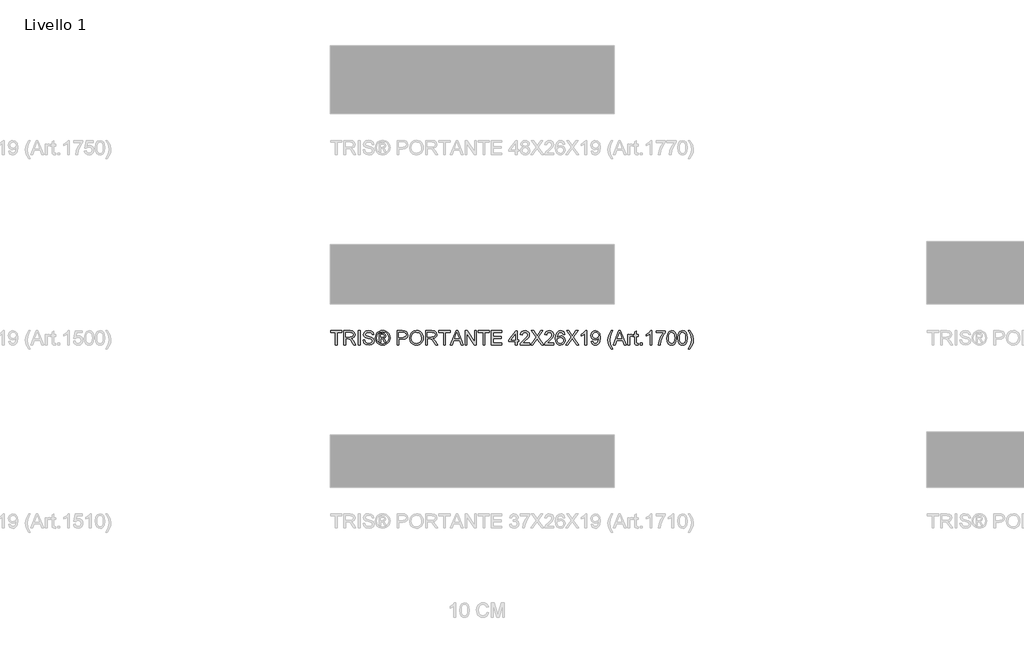
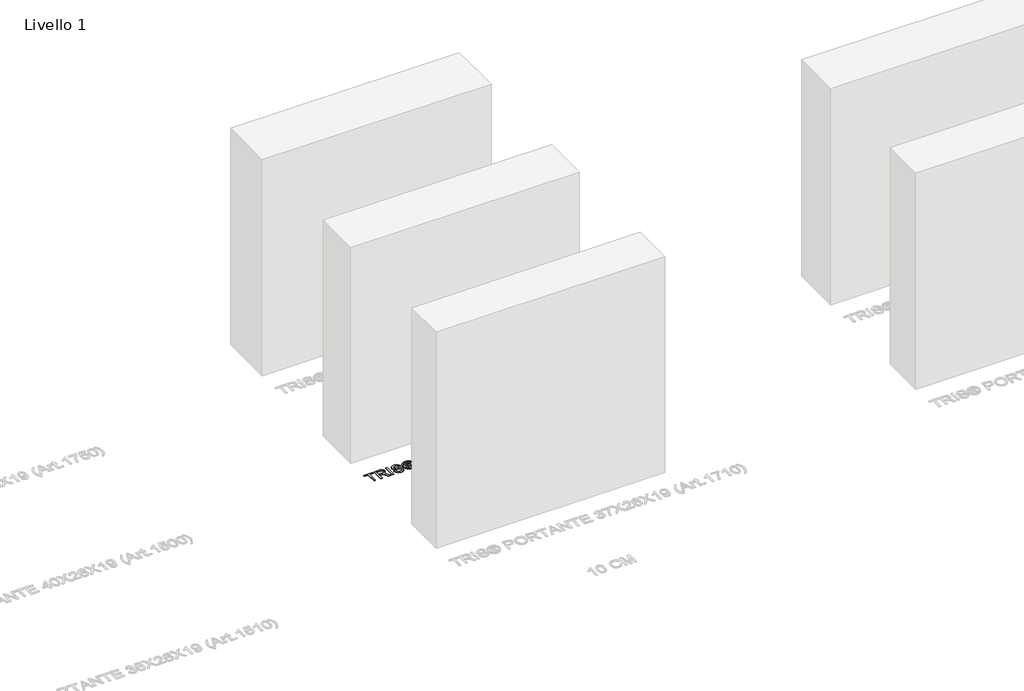
# One storey, part 15 of 19: 1 proxy.
"""IFC4 building model written with IfcOpenShell, lengths in millimetres."""

from ifc_helpers import new_model, si_unit, origin, origin_with_axes, place, context, project, spatial, polyline, outline, extrude, element, save

model = new_model("IFC4")

# Units and contexts
model_context = context("Model", 3, world=origin())
ifc_project = project(units=[si_unit("LENGTHUNIT", "METRE", prefix="MILLI")], contexts=[model_context])

# Site, building, storey
site = spatial("IfcSite", under=ifc_project)
building = spatial("IfcBuilding", under=site)
storey = spatial("IfcBuildingStorey", under=building, Name="Livello 1", Elevation=0.0)

# Proxy
placement = place(None, origin())
element("IfcBuildingElementProxy", 1, Name="100", ObjectType="100", at=placement, inside=storey, context=model_context, shape_type="SweptSolid", body=[
    extrude(outline(polyline([(-1100.6104208, 1233.8942151), (-1100.6104208, 1321.7934865), (-1133.5726476, 1321.7934865), (-1133.5726476, 1334.3505252), (-1055.0911553, 1334.3505252), (-1055.0911553, 1321.7934865), (-1088.053382, 1321.7934865), (-1088.053382, 1233.8942151), (-1100.6104208, 1233.8942151)])), origin_with_axes(), (0.0, 0.0, 1.0), 5.0),
    extrude(outline(polyline([(-1040.9644866, 1233.8942151), (-1040.9644866, 1334.3505252), (-997.6770385, 1334.3505252), (-977.5784189, 1331.6404612), (-966.59101, 1322.0510039), (-962.4829943, 1306.8574775), (-964.1844486, 1296.9614518), (-969.2888112, 1288.7576833), (-977.9493666, 1282.7428127), (-990.3193986, 1279.4134806), (-983.1824879, 1274.0424035), (-973.0044194, 1261.1174827), (-956.2535259, 1233.8942151), (-970.8461784, 1233.8942151), (-983.9182519, 1254.716336), (-993.3605565, 1268.4996481), (-999.9946951, 1275.0111594), (-1005.9666462, 1277.4023924), (-1013.2507097, 1277.8438508), (-1028.4074479, 1277.8438508), (-1028.4074479, 1233.8942151), (-1040.9644866, 1233.8942151)]), holes=[polyline([(-1028.4074479, 1290.4008895), (-1000.3012634, 1290.4008895), (-985.9661284, 1292.1789858), (-977.8236735, 1297.868894), (-975.0400331, 1306.3914936), (-980.3497966, 1317.4524789), (-997.1374783, 1321.7934865), (-1028.4074479, 1321.7934865), (-1028.4074479, 1290.4008895)])]), origin_with_axes(), (0.0, 0.0, 1.0), 5.0),
    extrude(outline(polyline([(-938.9385466, 1233.8942151), (-938.9385466, 1334.3505252), (-926.3815079, 1334.3505252), (-926.3815079, 1233.8942151), (-938.9385466, 1233.8942151)])), origin_with_axes(), (0.0, 0.0, 1.0), 5.0),
    extrude(outline(polyline([(-905.9763199, 1268.4260717), (-893.4192811, 1268.4260717), (-889.3725792, 1255.8567702), (-879.4888162, 1247.9105191), (-864.4301799, 1244.881624), (-851.3090554, 1247.1747551), (-842.8355068, 1253.4778), (-840.0518663, 1261.9022976), (-842.136531, 1269.7381841), (-850.6713933, 1275.4403551), (-868.9551284, 1280.2350837), (-888.6368152, 1286.427764), (-899.3176558, 1295.7719667), (-902.8370602, 1308.255429), (-898.4837899, 1322.4679368), (-885.7673356, 1332.4988525), (-867.1525067, 1335.9201551), (-847.2868789, 1332.339437), (-834.0431271, 1321.8180119), (-829.0644574, 1306.097188), (-841.6214962, 1306.097188), (-843.92689, 1313.589718), (-848.7338814, 1318.9975833), (-866.6619973, 1323.3631163), (-884.6391642, 1319.0466342), (-890.2800214, 1308.623311), (-886.2823704, 1299.9167705), (-865.7790805, 1292.9024871), (-843.559008, 1286.5994422), (-831.4066395, 1276.4213737), (-827.4948276, 1262.2211287), (-831.9952506, 1247.1992806), (-844.9446969, 1236.2363971), (-863.9396706, 1232.3245852), (-886.3682095, 1236.5429654), (-900.5561918, 1249.247157), (-905.9763199, 1268.4260717)])), origin_with_axes(), (0.0, 0.0, 1.0), 5.0),
    extrude(outline(polyline([(-791.3933411, 1252.7297732), (-791.3933411, 1315.5149671), (-771.1107804, 1315.5149671), (-756.0521441, 1313.7859217), (-748.6331905, 1307.752657), (-745.8740756, 1298.5923953), (-750.632016, 1286.6730186), (-763.2381058, 1280.9831105), (-758.3330125, 1277.647647), (-749.7736247, 1265.1151337), (-742.7348159, 1252.7297732), (-753.3298173, 1252.7297732), (-758.8480473, 1262.6871126), (-768.0941481, 1277.1080868), (-776.1139756, 1279.4134806), (-781.975562, 1279.4134806), (-781.975562, 1252.7297732), (-791.3933411, 1252.7297732)]), holes=[polyline([(-781.975562, 1288.8312597), (-770.0561854, 1288.8312597), (-758.4065889, 1291.2224927), (-755.2918547, 1297.5623257), (-756.7879081, 1302.1240624), (-760.9449746, 1305.1161693), (-770.8164749, 1306.097188), (-781.975562, 1306.097188), (-781.975562, 1288.8312597)])]), origin_with_axes(), (0.0, 0.0, 1.0), 5.0),
    extrude(outline(polyline([(-767.824368, 1335.9201551), (-754.930104, 1334.246292), (-742.3424084, 1329.2247028), (-731.2844888, 1321.0883793), (-722.9795527, 1310.0703135), (-717.7832196, 1297.3477279), (-716.0511085, 1284.0978447), (-717.7586941, 1270.9644575), (-722.8814509, 1258.346105), (-731.0852194, 1247.3678931), (-742.0358401, 1239.1549276), (-754.6449955, 1234.0321708), (-767.824368, 1232.3245852), (-780.9853463, 1234.0321708), (-793.5883704, 1239.1549276), (-804.5481881, 1247.3678931), (-812.7795478, 1258.346105), (-817.9298957, 1270.9644575), (-819.6466783, 1284.0978447), (-817.9053702, 1297.3477279), (-812.6814459, 1310.0703135), (-804.3489187, 1321.0883793), (-793.281802, 1329.2247028), (-780.7002378, 1334.246292), (-767.824368, 1335.9201551)]), holes=[polyline([(-767.824368, 1326.502376), (-788.6464889, 1321.0209343), (-797.6749262, 1314.3592045), (-804.5022029, 1305.3368985), (-810.2288993, 1284.0978447), (-804.6125675, 1263.0427318), (-788.8917435, 1247.3586961), (-767.824368, 1241.7423643), (-746.7447296, 1247.3586961), (-731.0606939, 1263.0427318), (-725.4688876, 1284.0978447), (-731.1587958, 1305.3368985), (-737.9676784, 1314.3592045), (-747.0145098, 1321.0209343), (-767.824368, 1326.502376)])]), origin_with_axes(), (0.0, 0.0, 1.0), 5.0),
    extrude(outline(polyline([(-665.8229534, 1233.8942151), (-665.8229534, 1334.3505252), (-628.5932955, 1334.3505252), (-613.5837101, 1333.394032), (-601.3822906, 1328.6974052), (-593.4728277, 1318.9853206), (-590.4807208, 1305.2878476), (-592.5010061, 1293.4481787), (-598.561862, 1283.5828099), (-609.8956931, 1276.9241458), (-627.7349042, 1274.7045911), (-653.2659147, 1274.7045911), (-653.2659147, 1233.8942151), (-665.8229534, 1233.8942151)]), holes=[polyline([(-653.2659147, 1287.2616298), (-626.9991402, 1287.2616298), (-608.5069386, 1291.8724175), (-604.4050543, 1297.4213043), (-603.0377596, 1304.8463892), (-606.2628584, 1315.2451869), (-614.736407, 1320.9350951), (-627.2934458, 1321.7934865), (-653.2659147, 1321.7934865), (-653.2659147, 1287.2616298)])]), origin_with_axes(), (0.0, 0.0, 1.0), 5.0),
    extrude(outline(polyline([(-577.923682, 1282.797995), (-574.5759559, 1305.0119361), (-564.5327774, 1321.8180119), (-549.1982296, 1332.3946193), (-529.9763953, 1335.9201551), (-516.8000885, 1334.2646861), (-504.9849451, 1329.2982792), (-495.1747586, 1321.3704222), (-488.0133224, 1310.830603), (-483.6355267, 1298.1877251), (-482.1762614, 1283.9506919), (-483.7121688, 1269.5235863), (-488.3198908, 1256.7028988), (-495.7449757, 1246.1446855), (-505.7329719, 1238.5050027), (-517.4469477, 1233.8696896), (-530.0499717, 1232.3245852), (-543.4286136, 1234.0321708), (-555.3112021, 1239.1549276), (-565.0968631, 1247.2299374), (-572.1847229, 1257.794282), (-577.923682, 1282.797995)]), holes=[polyline([(-565.3666433, 1282.6753676), (-562.8558487, 1266.9606751), (-555.3234648, 1254.9861161), (-544.0018964, 1247.407747), (-530.1235481, 1244.881624), (-516.0428648, 1247.4322725), (-504.7029023, 1255.084218), (-497.2257007, 1267.4266589), (-494.7333002, 1284.0487938), (-499.0007313, 1304.7728128), (-511.471931, 1318.4948112), (-529.9028189, 1323.3631163), (-543.4102195, 1321.0178686), (-554.8942691, 1313.9821254), (-562.7485497, 1301.4649405), (-565.3666433, 1282.6753676)])]), origin_with_axes(), (0.0, 0.0, 1.0), 5.0),
    extrude(outline(polyline([(-464.9103331, 1233.8942151), (-464.9103331, 1334.3505252), (-421.622885, 1334.3505252), (-401.5242654, 1331.6404612), (-390.5368564, 1322.0510039), (-386.4288408, 1306.8574775), (-388.1302951, 1296.9614518), (-393.2346577, 1288.7576833), (-401.895213, 1282.7428127), (-414.2652451, 1279.4134806), (-407.1283344, 1274.0424035), (-396.9502659, 1261.1174827), (-380.1993724, 1233.8942151), (-394.7920248, 1233.8942151), (-407.8640984, 1254.716336), (-417.306403, 1268.4996481), (-423.9405416, 1275.0111594), (-429.9124927, 1277.4023924), (-437.1965562, 1277.8438508), (-452.3532944, 1277.8438508), (-452.3532944, 1233.8942151), (-464.9103331, 1233.8942151)]), holes=[polyline([(-452.3532944, 1290.4008895), (-424.2471099, 1290.4008895), (-409.9119749, 1292.1789858), (-401.76952, 1297.868894), (-398.9858796, 1306.3914936), (-404.2956431, 1317.4524789), (-421.0833248, 1321.7934865), (-452.3532944, 1321.7934865), (-452.3532944, 1290.4008895)])]), origin_with_axes(), (0.0, 0.0, 1.0), 5.0),
    extrude(outline(polyline([(-339.3399454, 1233.8942151), (-339.3399454, 1321.7934865), (-372.3021722, 1321.7934865), (-372.3021722, 1334.3505252), (-293.8206799, 1334.3505252), (-293.8206799, 1321.7934865), (-326.7829067, 1321.7934865), (-326.7829067, 1233.8942151), (-339.3399454, 1233.8942151)])), origin_with_axes(), (0.0, 0.0, 1.0), 5.0),
    extrude(outline(polyline([(-291.3926587, 1233.8942151), (-251.2935213, 1334.3505252), (-240.6004179, 1334.3505252), (-200.5012805, 1233.8942151), (-213.7695578, 1233.8942151), (-225.2720015, 1265.286812), (-266.6464632, 1265.286812), (-278.1243814, 1233.8942151), (-291.3926587, 1233.8942151)]), holes=[polyline([(-262.0356755, 1277.8438508), (-229.8582637, 1277.8438508), (-238.9081608, 1302.5409954), (-245.9469696, 1321.7934865), (-252.2009635, 1304.6992364), (-262.0356755, 1277.8438508)])]), origin_with_axes(), (0.0, 0.0, 1.0), 5.0),
    extrude(outline(polyline([(-187.0858504, 1233.8942151), (-187.0858504, 1334.3505252), (-173.6458948, 1334.3505252), (-121.1613968, 1254.7653869), (-121.1613968, 1334.3505252), (-108.6043581, 1334.3505252), (-108.6043581, 1233.8942151), (-122.0443136, 1233.8942151), (-174.5288116, 1313.5038788), (-174.5288116, 1233.8942151), (-187.0858504, 1233.8942151)])), origin_with_axes(), (0.0, 0.0, 1.0), 5.0),
    extrude(outline(polyline([(-61.5154627, 1233.8942151), (-61.5154627, 1321.7934865), (-94.4776895, 1321.7934865), (-94.4776895, 1334.3505252), (-15.9961971, 1334.3505252), (-15.9961971, 1321.7934865), (-48.9584239, 1321.7934865), (-48.9584239, 1233.8942151), (-61.5154627, 1233.8942151)])), origin_with_axes(), (0.0, 0.0, 1.0), 5.0),
    extrude(outline(polyline([(-1.8695285, 1233.8942151), (-1.8695285, 1334.3505252), (70.3334444, 1334.3505252), (70.3334444, 1321.7934865), (10.6875102, 1321.7934865), (10.6875102, 1291.9705194), (67.1941847, 1291.9705194), (67.1941847, 1279.4134806), (10.6875102, 1279.4134806), (10.6875102, 1246.4512538), (71.9030742, 1246.4512538), (71.9030742, 1233.8942151), (-1.8695285, 1233.8942151)])), origin_with_axes(), (0.0, 0.0, 1.0), 5.0),
    extrude(outline(polyline([(166.080865, 1233.8942151), (166.080865, 1257.4386628), (120.5615995, 1257.4386628), (120.5615995, 1269.9957015), (169.2201247, 1332.7808954), (178.6379038, 1332.7808954), (178.6379038, 1269.9957015), (191.1949425, 1269.9957015), (191.1949425, 1257.4386628), (178.6379038, 1257.4386628), (178.6379038, 1233.8942151), (166.080865, 1233.8942151)]), holes=[polyline([(166.080865, 1269.9957015), (166.080865, 1308.7949893), (136.0126433, 1269.9957015), (166.080865, 1269.9957015)])]), origin_with_axes(), (0.0, 0.0, 1.0), 5.0),
    extrude(outline(polyline([(266.5371751, 1246.4512538), (266.5371751, 1233.8942151), (200.6127216, 1233.8942151), (201.9616223, 1242.5517047), (209.5890423, 1255.8812957), (225.3098662, 1270.4371599), (246.9903785, 1291.3573827), (252.4105065, 1305.5821532), (247.2969468, 1317.0968597), (233.9428304, 1321.7934865), (220.0246282, 1317.2072242), (214.7393902, 1304.5275581), (202.1823515, 1306.097188), (205.226575, 1318.2434252), (211.808597, 1327.1155127), (221.585061, 1332.5417721), (234.2126105, 1334.3505252), (246.9321305, 1332.339437), (256.6902004, 1326.3061723), (262.8982091, 1317.2930634), (264.9675453, 1306.3424427), (262.7357279, 1294.4353287), (255.3167743, 1282.1235446), (237.3273447, 1264.91893), (222.8818451, 1252.8401378), (217.2164623, 1246.4512538), (266.5371751, 1246.4512538)])), origin_with_axes(), (0.0, 0.0, 1.0), 5.0),
    extrude(outline(polyline([(272.8156945, 1233.8942151), (311.5414059, 1288.635056), (279.0942139, 1334.3505252), (294.1528503, 1334.3505252), (312.4243227, 1308.623311), (318.5802147, 1298.5923953), (325.7907018, 1308.7949893), (343.8659705, 1334.3505252), (359.1453361, 1334.3505252), (326.6981441, 1288.4879032), (365.4238555, 1233.8942151), (350.3652191, 1233.8942151), (324.5644285, 1270.2900071), (319.1933514, 1277.8438508), (313.282714, 1269.5542431), (288.0950601, 1233.8942151), (272.8156945, 1233.8942151)])), origin_with_axes(), (0.0, 0.0, 1.0), 5.0),
    extrude(outline(polyline([(437.6268284, 1246.4512538), (437.6268284, 1233.8942151), (371.7023748, 1233.8942151), (373.0512755, 1242.5517047), (380.6786955, 1255.8812957), (396.3995194, 1270.4371599), (418.0800317, 1291.3573827), (423.5001598, 1305.5821532), (418.3866, 1317.0968597), (405.0324836, 1321.7934865), (391.1142814, 1317.2072242), (385.8290435, 1304.5275581), (373.2720047, 1306.097188), (376.3162282, 1318.2434252), (382.8982502, 1327.1155127), (392.6747142, 1332.5417721), (405.3022637, 1334.3505252), (418.0217837, 1332.339437), (427.7798536, 1326.3061723), (433.9878623, 1317.2930634), (436.0571985, 1306.3424427), (433.8253811, 1294.4353287), (426.4064275, 1282.1235446), (408.416998, 1264.91893), (393.9714983, 1252.8401378), (388.3061156, 1246.4512538), (437.6268284, 1246.4512538)])), origin_with_axes(), (0.0, 0.0, 1.0), 5.0),
    extrude(outline(polyline([(514.5386908, 1307.6668178), (501.9816521, 1306.097188), (497.2237116, 1316.5695621), (484.6421474, 1321.7934865), (473.3113819, 1318.7523286), (464.7397314, 1307.335724), (461.1712761, 1284.956236), (472.2445241, 1294.974889), (485.9665225, 1298.2490388), (497.5670681, 1296.01109), (507.3036783, 1289.2972435), (513.9071601, 1279.0394672), (516.1083207, 1266.1697288), (511.9635169, 1248.8424868), (500.559175, 1236.5797536), (484.1025871, 1232.3245852), (469.8563568, 1235.1450139), (458.510263, 1243.6062997), (451.0882437, 1258.5423088), (448.6142373, 1280.7869067), (451.3610895, 1305.796751), (459.6016462, 1322.8971324), (470.8527039, 1331.487177), (485.4269623, 1334.3505252), (496.445028, 1332.5785603), (505.2680646, 1327.2626655), (511.4484821, 1318.8197737), (514.5386908, 1307.6668178)]), holes=[polyline([(461.1712761, 1266.3659325), (464.0775438, 1255.4888882), (471.8030657, 1247.591688), (483.1215684, 1244.881624), (491.4081104, 1246.2857069), (497.9226874, 1250.4979558), (502.1441333, 1257.1198317), (503.5512819, 1265.7527959), (502.1625274, 1274.0393378), (497.9962638, 1280.3577111), (491.3713222, 1284.3584278), (482.6065336, 1285.692), (467.4130072, 1280.3577111), (462.7317089, 1274.192622), (461.1712761, 1266.3659325)])]), origin_with_axes(), (0.0, 0.0, 1.0), 5.0),
    extrude(outline(polyline([(520.8172102, 1233.8942151), (559.5429216, 1288.635056), (527.0957296, 1334.3505252), (542.1543659, 1334.3505252), (560.4258384, 1308.623311), (566.5817304, 1298.5923953), (573.7922175, 1308.7949893), (591.8674862, 1334.3505252), (607.1468517, 1334.3505252), (574.6996598, 1288.4879032), (613.4253711, 1233.8942151), (598.3667348, 1233.8942151), (572.5659442, 1270.2900071), (567.1948671, 1277.8438508), (561.2842297, 1269.5542431), (536.0965757, 1233.8942151), (520.8172102, 1233.8942151)])), origin_with_axes(), (0.0, 0.0, 1.0), 5.0),
    extrude(outline(polyline([(668.3624157, 1233.8942151), (655.805377, 1233.8942151), (655.805377, 1312.1795036), (643.9105258, 1303.705955), (630.6912994, 1297.366122), (630.6912994, 1309.2364477), (649.0976619, 1320.9841461), (660.2690119, 1334.3505252), (668.3624157, 1334.3505252), (668.3624157, 1233.8942151)])), origin_with_axes(), (0.0, 0.0, 1.0), 5.0),
    extrude(outline(polyline([(699.7550127, 1259.0082926), (712.3120514, 1260.5779225), (717.9529087, 1248.5972321), (728.646012, 1244.881624), (738.8118178, 1247.272857), (745.7034739, 1253.6617409), (749.8114895, 1264.5755735), (751.626374, 1279.1437005), (751.5527976, 1281.5962471), (741.5096191, 1272.0803662), (727.7385698, 1268.4260717), (716.2882427, 1270.6578891), (706.7570333, 1277.3533414), (700.3282954, 1287.6969569), (698.1853828, 1300.8732637), (700.4325287, 1314.4848975), (707.1739662, 1325.1534753), (717.2999182, 1332.0512628), (729.7006071, 1334.3505252), (747.5919348, 1329.1020754), (759.9037189, 1314.141541), (764.1098364, 1286.0353565), (759.9159816, 1255.5379391), (754.7012543, 1245.5468773), (747.444782, 1238.2597481), (738.4592642, 1233.8083759), (728.0574008, 1232.3245852), (717.3213779, 1234.0750904), (708.7558588, 1239.3266059), (702.7655137, 1247.7480379), (699.7550127, 1259.0082926)]), holes=[polyline([(751.5527976, 1301.1675693), (750.1977656, 1309.6779061), (746.1326695, 1316.2262056), (739.8234933, 1320.4016662), (731.7362208, 1321.7934865), (723.3485113, 1320.2943673), (716.6285335, 1315.7970099), (712.2139496, 1308.9145509), (710.7424216, 1300.260127), (712.1342418, 1292.5008826), (716.3097025, 1286.3419249), (722.8641333, 1282.3228141), (731.3928643, 1280.9831105), (745.8751521, 1286.3419249), (750.1333862, 1292.7277432), (751.5527976, 1301.1675693)])]), origin_with_axes(), (0.0, 0.0, 1.0), 5.0),
    extrude(outline(polyline([(842.5913287, 1205.6408778), (824.7613146, 1235.0959629), (819.298267, 1252.2760521), (817.4772511, 1270.0692779), (822.9219047, 1300.6034835), (842.5913287, 1334.3505252), (852.0091077, 1334.3505252), (840.2614094, 1314.460372), (833.1980751, 1295.1833555), (830.0342899, 1269.9957015), (835.5279944, 1237.806027), (852.0091077, 1205.6408778), (842.5913287, 1205.6408778)])), origin_with_axes(), (0.0, 0.0, 1.0), 5.0),
    extrude(outline(polyline([(854.4371289, 1233.8942151), (894.5362664, 1334.3505252), (905.2293697, 1334.3505252), (945.3285072, 1233.8942151), (932.0602299, 1233.8942151), (920.5577862, 1265.286812), (879.1833244, 1265.286812), (867.7054062, 1233.8942151), (854.4371289, 1233.8942151)]), holes=[polyline([(883.7941121, 1277.8438508), (915.971524, 1277.8438508), (906.9216269, 1302.5409954), (899.882818, 1321.7934865), (893.6288241, 1304.6992364), (883.7941121, 1277.8438508)])]), origin_with_axes(), (0.0, 0.0, 1.0), 5.0),
    extrude(outline(polyline([(957.1743074, 1233.8942151), (957.1743074, 1307.6668178), (968.1617163, 1307.6668178), (968.1617163, 1296.7529853), (975.9608146, 1306.8084265), (983.8089639, 1309.2364477), (996.4150536, 1305.361424), (992.2211988, 1294.104235), (983.3920309, 1296.6794089), (976.2919084, 1294.2023368), (971.7669599, 1287.3352062), (969.7313462, 1272.6689774), (969.7313462, 1233.8942151), (957.1743074, 1233.8942151)])), origin_with_axes(), (0.0, 0.0, 1.0), 5.0),
    extrude(outline(polyline([(1030.9469102, 1244.3665892), (1032.51654, 1233.5263331), (1023.1232864, 1232.3245852), (1012.6018614, 1234.4092499), (1007.3534116, 1239.8784289), (1005.8328327, 1254.1277248), (1005.8328327, 1295.1097791), (996.4150536, 1295.1097791), (996.4150536, 1307.6668178), (1005.8328327, 1307.6668178), (1005.8328327, 1325.5949337), (1018.3898714, 1332.9770991), (1018.3898714, 1307.6668178), (1030.9469102, 1307.6668178), (1030.9469102, 1295.1097791), (1018.3898714, 1295.1097791), (1018.3898714, 1254.4956068), (1019.052059, 1248.0208837), (1021.1980373, 1245.7277526), (1025.4777312, 1244.881624), (1030.9469102, 1244.3665892)])), origin_with_axes(), (0.0, 0.0, 1.0), 5.0),
    extrude(outline(polyline([(1046.6432087, 1233.8942151), (1046.6432087, 1246.4512538), (1059.2002474, 1246.4512538), (1059.2002474, 1233.8942151), (1046.6432087, 1233.8942151)])), origin_with_axes(), (0.0, 0.0, 1.0), 5.0),
    extrude(outline(polyline([(1126.6943308, 1233.8942151), (1114.137292, 1233.8942151), (1114.137292, 1312.1795036), (1102.2424409, 1303.705955), (1089.0232145, 1297.366122), (1089.0232145, 1309.2364477), (1107.429577, 1320.9841461), (1118.6009269, 1334.3505252), (1126.6943308, 1334.3505252), (1126.6943308, 1233.8942151)])), origin_with_axes(), (0.0, 0.0, 1.0), 5.0),
    extrude(outline(polyline([(1156.5172979, 1320.2238566), (1156.5172979, 1332.7808954), (1222.4417514, 1332.7808954), (1222.4417514, 1322.6273523), (1203.7410833, 1295.6125511), (1189.4304737, 1261.1910591), (1184.7706351, 1233.8942151), (1172.2135963, 1233.8942151), (1177.2045287, 1262.2211287), (1190.9020017, 1294.239125), (1209.8847126, 1320.2238566), (1156.5172979, 1320.2238566)])), origin_with_axes(), (0.0, 0.0, 1.0), 5.0),
    extrude(outline(polyline([(1233.4291603, 1283.3130298), (1237.120243, 1312.2162918), (1248.0831265, 1328.8813462), (1266.3913871, 1334.3505252), (1281.057616, 1331.1131637), (1291.1866336, 1321.7812237), (1297.0727455, 1306.9187911), (1299.3536139, 1283.3130298), (1295.6993194, 1254.532395), (1284.7732241, 1237.8305524), (1276.5418645, 1233.701077), (1266.3913871, 1232.3245852), (1253.343839, 1234.7158182), (1243.4355506, 1241.8895171), (1235.9307579, 1258.8795339), (1233.4291603, 1283.3130298)]), holes=[polyline([(1245.9861991, 1283.3375552), (1247.4577271, 1263.5853578), (1251.872311, 1252.1534248), (1258.445136, 1246.6995742), (1266.3913871, 1244.881624), (1274.3376382, 1246.7057056), (1280.9104632, 1252.1779502), (1285.3250471, 1263.6160146), (1286.7965751, 1283.3375552), (1285.3740981, 1302.6452286), (1281.1066669, 1314.1660664), (1274.5461047, 1319.8866314), (1266.2442343, 1321.7934865), (1258.3838223, 1320.113492), (1252.0685148, 1315.0735087), (1247.506778, 1302.835301), (1245.9861991, 1283.3375552)])]), origin_with_axes(), (0.0, 0.0, 1.0), 5.0),
    extrude(outline(polyline([(1310.3410228, 1283.3130298), (1314.0321055, 1312.2162918), (1324.9949889, 1328.8813462), (1343.3032496, 1334.3505252), (1357.9694784, 1331.1131637), (1368.098496, 1321.7812237), (1373.984608, 1306.9187911), (1376.2654763, 1283.3130298), (1372.6111818, 1254.532395), (1361.6850866, 1237.8305524), (1353.4537269, 1233.701077), (1343.3032496, 1232.3245852), (1330.2557015, 1234.7158182), (1320.3474131, 1241.8895171), (1312.8426204, 1258.8795339), (1310.3410228, 1283.3130298)]), holes=[polyline([(1322.8980616, 1283.3375552), (1324.3695895, 1263.5853578), (1328.7841735, 1252.1534248), (1335.3569985, 1246.6995742), (1343.3032496, 1244.881624), (1351.2495007, 1246.7057056), (1357.8223256, 1252.1779502), (1362.2369096, 1263.6160146), (1363.7084376, 1283.3375552), (1362.2859605, 1302.6452286), (1358.0185294, 1314.1660664), (1351.4579671, 1319.8866314), (1343.1560968, 1321.7934865), (1335.2956848, 1320.113492), (1328.9803772, 1315.0735087), (1324.4186405, 1302.835301), (1322.8980616, 1283.3375552)])]), origin_with_axes(), (0.0, 0.0, 1.0), 5.0),
    extrude(outline(polyline([(1393.5314046, 1205.6408778), (1384.1136256, 1205.6408778), (1400.5947389, 1237.806027), (1406.0884434, 1269.9957015), (1402.9246582, 1294.9626263), (1395.9349003, 1314.2641683), (1384.1136256, 1334.3505252), (1393.5314046, 1334.3505252), (1413.2008286, 1300.6034835), (1418.6454822, 1270.0692779), (1416.8152693, 1252.2760521), (1411.3246305, 1235.0959629), (1393.5314046, 1205.6408778)])), origin_with_axes(), (0.0, 0.0, 1.0), 5.0),
])

save(model, "model.ifc")
